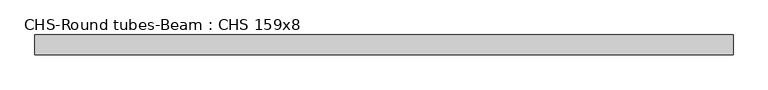
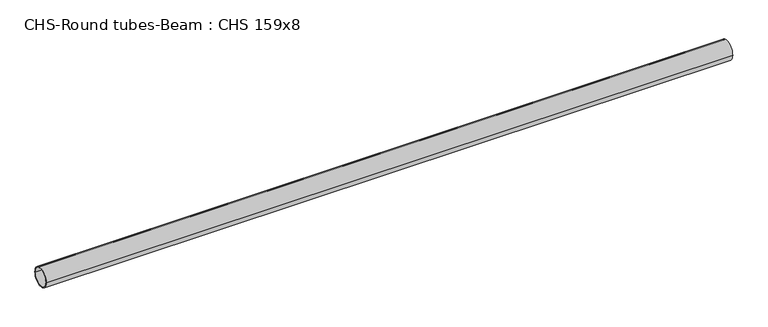
"""IFC4 building model written with IfcOpenShell, lengths in millimetres: beam geometry, CHS-Round tubes-Beam : CHS 159x8."""

from ifc_helpers import new_model, si_unit, point, frame, origin, origin_2d, place, context, project, spatial, circle_curve, trimmed, segment, composite_curve, outline, extrude, source, transform, mapped, element, save


def chs_round_tubes_beam_chs_159x8_3deee088(model_context):
    return source(origin(), model_context, "Body", "SweptSolid", [
        extrude(outline(composite_curve([segment(trimmed(circle_curve(origin_2d(), 79.5), [point((79.5, 0.0))], [point((-79.5, 0.0))], False, "CARTESIAN"), True, "CONTINUOUS"), segment(trimmed(circle_curve(origin_2d(), 79.5), [point((-79.5, 0.0))], [point((79.5, 0.0))], False, "CARTESIAN"), True, "CONTINUOUS")], self_intersect=False), holes=[composite_curve([segment(trimmed(circle_curve(origin_2d(), 71.5), [point((71.5, 0.0))], [point((-71.5, 0.0))], True, "CARTESIAN"), True, "CONTINUOUS"), segment(trimmed(circle_curve(origin_2d(), 71.5), [point((-71.5, 0.0))], [point((71.5, 0.0))], True, "CARTESIAN"), True, "CONTINUOUS")], self_intersect=False)]), frame((-2802.6577755, 0.0, 0.0), z_axis=(1.0, 0.0, 0.0), x_axis=(0.0, 1.0, 0.0)), (0.0, 0.0, 1.0), 5609.3971039),
    ])


if __name__ == "__main__":
    model = new_model("IFC4")
    model_context = context("Model", 3, world=origin())
    ifc_project = project(units=[si_unit("LENGTHUNIT", "METRE", prefix="MILLI")], contexts=[model_context])
    site = spatial("IfcSite", under=ifc_project)
    building = spatial("IfcBuilding", under=site)
    placement = place(None, origin())
    chs_round_tubes_beam_chs_159x8_shape = chs_round_tubes_beam_chs_159x8_3deee088(model_context)
    element("IfcBeam", 1, ObjectType="CHS-Round tubes-Beam : CHS 159x8", at=placement, inside=building, context=model_context, shape_type="MappedRepresentation", body=[
        mapped(chs_round_tubes_beam_chs_159x8_shape, transform((0.0, 0.0, 0.0), x_axis=(1.0, 0.0, 0.0), y_axis=(0.0, 1.0, 0.0), z_axis=(0.0, 0.0, 1.0))),
    ])
    save(model, "model.ifc")
